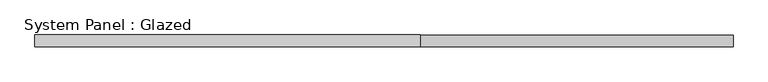
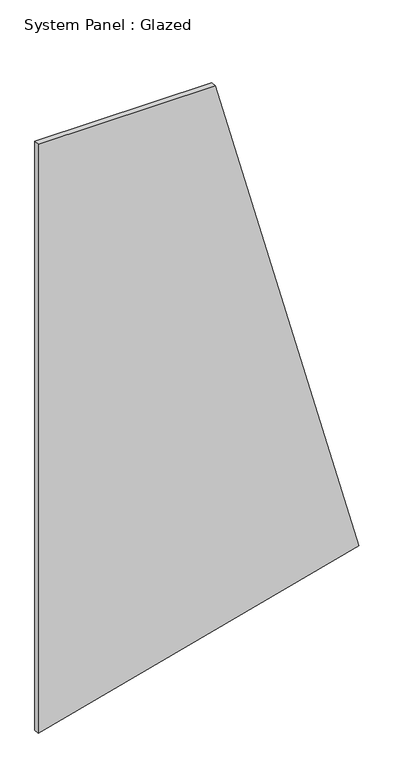
"""IFC4 building model written with IfcOpenShell, lengths in millimetres: plate geometry, System Panel : Glazed."""

from ifc_helpers import new_model, si_unit, frame, origin, place, context, project, spatial, polyline, outline, extrude, source, transform, mapped, element, save


def system_panel_glazed_12ae5c78(model_context):
    return source(origin(), model_context, "Body", "SweptSolid", [
        extrude(outline(polyline([(0.0, -747.6505786), (400.6647375, 747.6505786), (2901.9606301, 77.4303642), (2901.9606301, -747.6505786), (0.0, -747.6505786)])), frame((0.0, -2.5, 0.0), z_axis=(0.0, 1.0, 0.0), x_axis=(0.0, 0.0, 1.0)), (0.0, 0.0, 1.0), 25.0),
    ])


if __name__ == "__main__":
    model = new_model("IFC4")
    model_context = context("Model", 3, world=origin())
    ifc_project = project(units=[si_unit("LENGTHUNIT", "METRE", prefix="MILLI")], contexts=[model_context])
    site = spatial("IfcSite", under=ifc_project)
    building = spatial("IfcBuilding", under=site)
    placement = place(None, origin())
    system_panel_glazed_shape = system_panel_glazed_12ae5c78(model_context)
    element("IfcPlate", 1, ObjectType="System Panel : Glazed", at=placement, inside=building, context=model_context, shape_type="MappedRepresentation", body=[
        mapped(system_panel_glazed_shape, transform((0.0, 0.0, 0.0), x_axis=(1.0, 0.0, 0.0), y_axis=(0.0, 1.0, 0.0), z_axis=(0.0, 0.0, 1.0))),
    ])
    save(model, "model.ifc")
